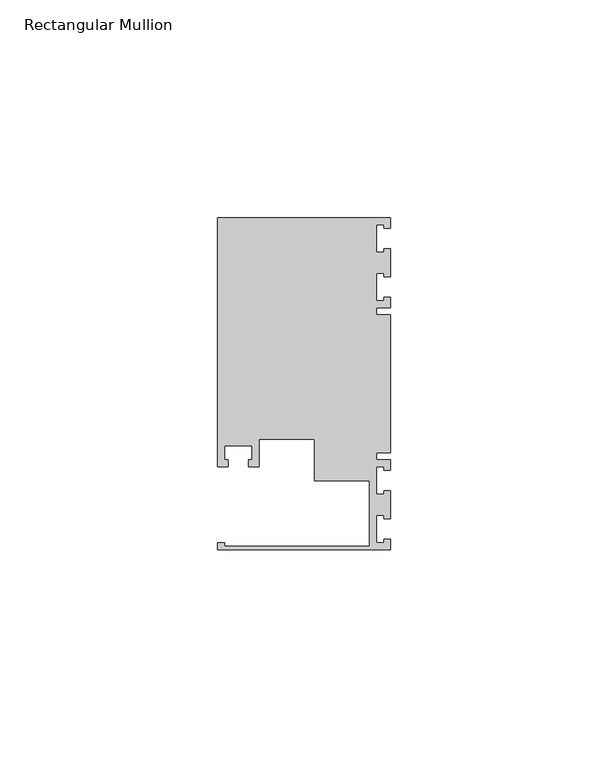
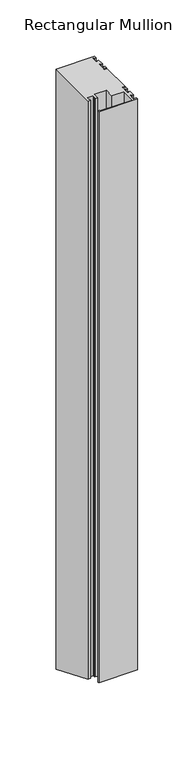
"""IFC4 building model written with IfcOpenShell, lengths in millimetres: member geometry, Rectangular Mullion."""

from ifc_helpers import new_model, si_unit, origin, place, context, project, spatial, faceted_brep, source, transform, mapped, element, save


def rectangular_mullion_32d8c667(model_context):
    return source(origin(), model_context, "Body", "Brep", [
        faceted_brep([(0.0, -38.1, 0.0), (0.0, -35.71875, 0.0), (-1.4999946, -35.71875, 0.0), (-1.4999946, -36.5125, 0.0), (-3.175, -36.5125, 0.0), (-3.175, -30.1625, 0.0), (-1.4999946, -30.1625, 0.0), (-1.4999946, -30.95625, 0.0), (0.0, -30.95625, 0.0), (0.0, -24.60625, 0.0), (-1.4999946, -24.60625, 0.0), (-1.4999946, -25.4, 0.0), (-3.175, -25.4, 0.0), (-3.175, -19.05, 0.0), (-1.4999946, -19.05, 0.0), (-1.4999946, -19.84375, 0.0), (0.0, -19.84375, 0.0), (0.0, -17.4625, 0.0), (-3.175, -17.4625, 0.0), (-3.175, -15.875, 0.0), (0.0, -15.875, 0.0), (0.0, 15.875, 0.0), (-3.175, 15.875, 0.0), (-3.175, 17.4625, 0.0), (0.0, 17.4625, 0.0), (0.0, 19.84375, 0.0), (-1.4999946, 19.84375, 0.0), (-1.4999946, 19.05, 0.0), (-3.175, 19.05, 0.0), (-3.175, 25.4, 0.0), (-1.4999946, 25.4, 0.0), (-1.4999946, 24.60625, 0.0), (0.0, 24.60625, 0.0), (0.0, 30.95625, 0.0), (-1.4999946, 30.95625, 0.0), (-1.4999946, 30.1625, 0.0), (-3.175, 30.1625, 0.0), (-3.175, 36.5125, 0.0), (-1.4999946, 36.5125, 0.0), (-1.4999946, 35.71875, 0.0), (0.0, 35.71875, 0.0), (0.0, 38.1, 0.0), (-39.6875, 38.1, 0.0), (-39.6875, -19.05, 0.0), (-37.30625, -19.05, 0.0), (-37.30625, -17.4625, 0.0), (-38.1, -17.4625, 0.0), (-38.1, -14.2875, 0.0), (-31.75, -14.2875, 0.0), (-31.75, -17.4625, 0.0), (-32.54375, -17.4625, 0.0), (-32.54375, -19.05, 0.0), (-30.1625, -19.05, 0.0), (-30.1625, -12.6999969, 0.0), (-17.4625, -12.6999969, 0.0), (-17.4625, -22.225, 0.0), (-4.8585733, -22.225, 0.0), (-4.8585733, -37.30625, 0.0), (-38.1, -37.30625, 0.0), (-38.1, -36.5125, 0.0), (-39.6875, -36.5125, 0.0), (-39.6875, -38.1, 0.0), (0.0, -38.1, -619.2184633), (0.0, -35.71875, -620.2048093), (-1.4999946, -35.71875, -620.2048093), (-1.4999946, -36.5125, -619.8760273), (-3.175, -36.5125, -619.8760273), (-3.175, -30.1625, -622.5062834), (-1.4999946, -30.1625, -622.5062834), (-1.4999946, -30.95625, -622.1775014), (0.0, -30.95625, -622.1775014), (0.0, -24.60625, -624.8077575), (-1.4999946, -24.60625, -624.8077575), (-1.4999946, -25.4, -624.4789755), (-3.175, -25.4, -624.4789755), (-3.175, -19.05, -627.1092316), (-1.4999946, -19.05, -627.1092316), (-1.4999946, -19.84375, -626.7804496), (0.0, -19.84375, -626.7804496), (0.0, -17.4625, -627.7667957), (-3.175, -17.4625, -627.7667957), (-3.175, -15.875, -628.4243597), (0.0, -15.875, -628.4243597), (0.0, 15.875, -641.5756403), (-3.175, 15.875, -641.5756403), (-3.175, 17.4625, -642.2332043), (0.0, 17.4625, -642.2332043), (0.0, 19.84375, -643.2195504), (-1.4999946, 19.84375, -643.2195504), (-1.4999946, 19.05, -642.8907684), (-3.175, 19.05, -642.8907684), (-3.175, 25.4, -645.5210245), (-1.4999946, 25.4, -645.5210245), (-1.4999946, 24.60625, -645.1922425), (0.0, 24.60625, -645.1922425), (0.0, 30.95625, -647.8224986), (-1.4999946, 30.95625, -647.8224986), (-1.4999946, 30.1625, -647.4937166), (-3.175, 30.1625, -647.4937166), (-3.175, 36.5125, -650.1239727), (-1.4999946, 36.5125, -650.1239727), (-1.4999946, 35.71875, -649.7951907), (0.0, 35.71875, -649.7951907), (0.0, 38.1, -650.7815367), (-39.6875, 38.1, -650.7815367), (-39.6875, -19.05, -627.1092316), (-37.30625, -19.05, -627.1092316), (-37.30625, -17.4625, -627.7667957), (-38.1, -17.4625, -627.7667957), (-38.1, -14.2875, -629.0819237), (-31.75, -14.2875, -629.0819237), (-31.75, -17.4625, -627.7667957), (-32.54375, -17.4625, -627.7667957), (-32.54375, -19.05, -627.1092316), (-30.1625, -19.05, -627.1092316), (-30.1625, -12.6999969, -629.739489), (-17.4625, -12.6999969, -629.739489), (-17.4625, -22.225, -625.7941036), (-4.8585733, -22.225, -625.7941036), (-4.8585733, -37.30625, -619.5472453), (-38.1, -37.30625, -619.5472453), (-38.1, -36.5125, -619.8760273), (-39.6875, -36.5125, -619.8760273), (-39.6875, -38.1, -619.2184633)], [[[0, 1, 2, 3, 4, 5, 6, 7, 8, 9, 10, 11, 12, 13, 14, 15, 16, 17, 18, 19, 20, 21, 22, 23, 24, 25, 26, 27, 28, 29, 30, 31, 32, 33, 34, 35, 36, 37, 38, 39, 40, 41, 42, 43, 44, 45, 46, 47, 48, 49, 50, 51, 52, 53, 54, 55, 56, 57, 58, 59, 60, 61]], [[1, 0, 62, 63]], [[2, 1, 63, 64]], [[3, 2, 64, 65]], [[4, 3, 65, 66]], [[5, 4, 66, 67]], [[6, 5, 67, 68]], [[7, 6, 68, 69]], [[8, 7, 69, 70]], [[9, 8, 70, 71]], [[10, 9, 71, 72]], [[11, 10, 72, 73]], [[12, 11, 73, 74]], [[13, 12, 74, 75]], [[14, 13, 75, 76]], [[15, 14, 76, 77]], [[16, 15, 77, 78]], [[17, 16, 78, 79]], [[18, 17, 79, 80]], [[19, 18, 80, 81]], [[20, 19, 81, 82]], [[21, 20, 82, 83]], [[22, 21, 83, 84]], [[23, 22, 84, 85]], [[24, 23, 85, 86]], [[25, 24, 86, 87]], [[26, 25, 87, 88]], [[27, 26, 88, 89]], [[28, 27, 89, 90]], [[29, 28, 90, 91]], [[30, 29, 91, 92]], [[31, 30, 92, 93]], [[32, 31, 93, 94]], [[33, 32, 94, 95]], [[34, 33, 95, 96]], [[35, 34, 96, 97]], [[36, 35, 97, 98]], [[37, 36, 98, 99]], [[38, 37, 99, 100]], [[39, 38, 100, 101]], [[40, 39, 101, 102]], [[41, 40, 102, 103]], [[42, 41, 103, 104]], [[43, 42, 104, 105]], [[44, 43, 105, 106]], [[45, 44, 106, 107]], [[46, 45, 107, 108]], [[47, 46, 108, 109]], [[48, 47, 109, 110]], [[49, 48, 110, 111]], [[50, 49, 111, 112]], [[51, 50, 112, 113]], [[52, 51, 113, 114]], [[53, 52, 114, 115]], [[54, 53, 115, 116]], [[55, 54, 116, 117]], [[56, 55, 117, 118]], [[57, 56, 118, 119]], [[58, 57, 119, 120]], [[59, 58, 120, 121]], [[60, 59, 121, 122]], [[61, 60, 122, 123]], [[0, 61, 123, 62]], [[62, 123, 122, 121, 120, 119, 118, 117, 116, 115, 114, 113, 112, 111, 110, 109, 108, 107, 106, 105, 104, 103, 102, 101, 100, 99, 98, 97, 96, 95, 94, 93, 92, 91, 90, 89, 88, 87, 86, 85, 84, 83, 82, 81, 80, 79, 78, 77, 76, 75, 74, 73, 72, 71, 70, 69, 68, 67, 66, 65, 64, 63]]]),
    ])


if __name__ == "__main__":
    model = new_model("IFC4")
    model_context = context("Model", 3, world=origin())
    ifc_project = project(units=[si_unit("LENGTHUNIT", "METRE", prefix="MILLI")], contexts=[model_context])
    site = spatial("IfcSite", under=ifc_project)
    building = spatial("IfcBuilding", under=site)
    placement = place(None, origin())
    rectangular_mullion_shape = rectangular_mullion_32d8c667(model_context)
    element("IfcMember", 1, ObjectType="Rectangular Mullion", at=placement, inside=building, context=model_context, shape_type="MappedRepresentation", body=[
        mapped(rectangular_mullion_shape, transform((0.0, 0.0, 0.0), x_axis=(1.0, 0.0, 0.0), y_axis=(0.0, 1.0, 0.0), z_axis=(0.0, 0.0, 1.0))),
    ])
    save(model, "model.ifc")
